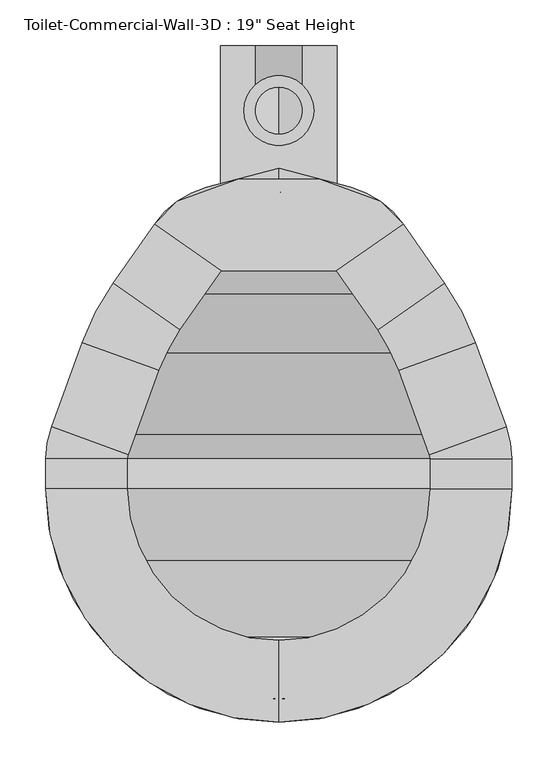
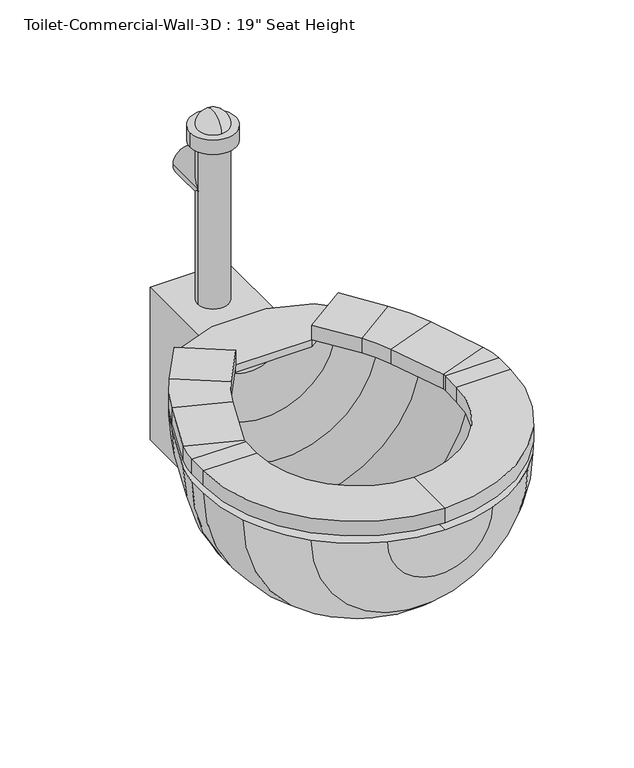
"""IFC4 building model written with IfcOpenShell, lengths in millimetres: flow terminal geometry."""

from ifc_helpers import new_model, si_unit, point, frame, frame_2d, origin, place, context, project, spatial, polyline, circle_curve, ellipse_curve, trimmed, segment, composite_curve, outline, extrude, source, transform, mapped, element, save
from ifc_brep_helpers import plane_surface, cylinder_surface, revolved_surface, advanced_brep


def flow_terminal_8f6cac15(model_context):
    return source(origin(), model_context, "Body", "SolidModel", [
        extrude(outline(polyline([(467.7541169, -306.9472495), (342.0521907, -306.9472495), (269.229574, -255.9563043), (294.1800557, -231.0058226), (360.2423986, -206.9610961), (449.563909, -206.9610961), (515.6262519, -231.0058226), (540.5767337, -255.9563043), (467.7541169, -306.9472495)])), frame((0.0, 0.0, 444.5), z_axis=(0.0, 0.0, 1.0), x_axis=(1.0, 0.0, 0.0)), (0.0, 0.0, 1.0), 12.7),
        advanced_brep(
        [(467.7541169, -306.9472495, 457.2), (467.7541169, -306.9472495, 482.6), (540.5767337, -255.9563043, 482.6), (540.5767337, -255.9563043, 457.2), (585.6810159, -320.3718951, 457.2), (512.8583992, -371.3628403, 457.2), (585.6810159, -320.3718951, 482.6), (512.8583992, -371.3628403, 482.6), (619.360053, -385.0687234, 457.2), (535.821379, -415.4743141, 457.2), (619.360053, -385.0687234, 482.6), (535.821379, -415.4743141, 482.6), (652.7759241, -476.8780747, 457.2), (569.2372501, -507.2836654, 457.2), (652.7759241, -476.8780747, 482.6), (569.2372501, -507.2836654, 482.6), (658.9031538, -511.6273212, 457.2), (570.0031538, -511.6273212, 457.2), (658.9031538, -511.6273212, 482.6), (570.0031538, -511.6273212, 482.6), (658.9031538, -544.5125, 457.2), (570.0031538, -544.5125, 457.2), (658.9031538, -544.5125, 482.6), (570.0031538, -544.5125, 482.6), (404.9031538, -798.5125, 457.2), (404.9031538, -709.6125, 457.2), (404.9031538, -798.5125, 482.6), (404.9031538, -709.6125, 482.6), (150.9031538, -544.5125, 457.2), (239.8031538, -544.5125, 457.2), (150.9031538, -544.5125, 482.6), (239.8031538, -544.5125, 482.6), (150.9031538, -511.6273212, 457.2), (239.8031538, -511.6273212, 457.2), (150.9031538, -511.6273212, 482.6), (239.8031538, -511.6273212, 482.6), (157.0303835, -476.8780747, 457.2), (240.5690575, -507.2836654, 457.2), (157.0303835, -476.8780747, 482.6), (240.5690575, -507.2836654, 482.6), (190.4462546, -385.0687234, 457.2), (273.9849286, -415.4743141, 457.2), (190.4462546, -385.0687234, 482.6), (273.9849286, -415.4743141, 482.6), (224.1252917, -320.3718951, 457.2), (296.9479084, -371.3628403, 457.2), (224.1252917, -320.3718951, 482.6), (296.9479084, -371.3628403, 482.6), (342.0521907, -306.9472495, 457.2), (269.229574, -255.9563043, 457.2), (269.229574, -255.9563043, 482.6), (342.0521907, -306.9472495, 482.6)],
        [
            (0, 1),
            (1, 2),
            (2, 3),
            (3, 0),
            (3, 4),
            (4, 5),
            (5, 0),
            (2, 6),
            (6, 4),
            (1, 7),
            (7, 6),
            (5, 7),
            (8, 9),
            (9, 5, circle_curve(frame((356.8099347, -480.6291514, 457.2), z_axis=(0.0, 0.0, 1.0), x_axis=(0.81915204428899, 0.5735764363510486, 0.0)), 190.5)),
            (4, 8, circle_curve(frame((356.8099347, -480.6291514, 457.2), z_axis=(0.0, 0.0, -1.0), x_axis=(0.81915204428899, 0.5735764363510486, 0.0)), 279.4)),
            (10, 8),
            (6, 10, circle_curve(frame((356.8099347, -480.6291514, 482.6), z_axis=(0.0, 0.0, -1.0), x_axis=(0.81915204428899, 0.5735764363510486, 0.0)), 279.4)),
            (11, 10),
            (7, 11, circle_curve(frame((356.8099347, -480.6291514, 482.6), z_axis=(0.0, 0.0, -1.0), x_axis=(0.81915204428899, 0.5735764363510486, 0.0)), 190.5)),
            (9, 11),
            (8, 12),
            (12, 13),
            (13, 9),
            (10, 14),
            (14, 12),
            (11, 15),
            (15, 14),
            (13, 15),
            (16, 17),
            (17, 13, circle_curve(frame((557.3031538, -511.6273212, 457.2), z_axis=(0.0, 0.0, 1.0), x_axis=(0.939692620785906, 0.34202014332567526, 0.0)), 12.7)),
            (12, 16, circle_curve(frame((557.3031538, -511.6273212, 457.2), z_axis=(0.0, 0.0, -1.0), x_axis=(0.939692620785906, 0.34202014332567526, 0.0)), 101.6)),
            (18, 16),
            (14, 18, circle_curve(frame((557.3031538, -511.6273212, 482.6), z_axis=(0.0, 0.0, -1.0), x_axis=(0.939692620785906, 0.34202014332567526, 0.0)), 101.6)),
            (19, 18),
            (15, 19, circle_curve(frame((557.3031538, -511.6273212, 482.6), z_axis=(0.0, 0.0, -1.0), x_axis=(0.939692620785906, 0.34202014332567526, 0.0)), 12.7)),
            (17, 19),
            (16, 20),
            (20, 21),
            (21, 17),
            (18, 22),
            (22, 20),
            (19, 23),
            (23, 22),
            (21, 23),
            (24, 25),
            (25, 21, circle_curve(frame((404.9031538, -544.5125, 457.2), z_axis=(0.0, 0.0, 1.0), x_axis=(1.0, 0.0, 0.0)), 165.1)),
            (20, 24, circle_curve(frame((404.9031538, -544.5125, 457.2), z_axis=(0.0, 0.0, -1.0), x_axis=(1.0, 0.0, 0.0)), 254.0)),
            (26, 24),
            (22, 26, circle_curve(frame((404.9031538, -544.5125, 482.6), z_axis=(0.0, 0.0, -1.0), x_axis=(1.0, 0.0, 0.0)), 254.0)),
            (27, 26),
            (23, 27, circle_curve(frame((404.9031538, -544.5125, 482.6), z_axis=(0.0, 0.0, -1.0), x_axis=(1.0, 0.0, 0.0)), 165.1)),
            (25, 27),
            (28, 29),
            (29, 25, circle_curve(frame((404.9031538, -544.5125, 457.2), z_axis=(0.0, 0.0, 1.0), x_axis=(0.0, -1.0, 0.0)), 165.1)),
            (24, 28, circle_curve(frame((404.9031538, -544.5125, 457.2), z_axis=(0.0, 0.0, -1.0), x_axis=(0.0, -1.0, 0.0)), 254.0)),
            (30, 28),
            (26, 30, circle_curve(frame((404.9031538, -544.5125, 482.6), z_axis=(0.0, 0.0, -1.0), x_axis=(0.0, -1.0, 0.0)), 254.0)),
            (31, 30),
            (27, 31, circle_curve(frame((404.9031538, -544.5125, 482.6), z_axis=(0.0, 0.0, -1.0), x_axis=(0.0, -1.0, 0.0)), 165.1)),
            (29, 31),
            (28, 32),
            (32, 33),
            (33, 29),
            (30, 34),
            (34, 32),
            (31, 35),
            (35, 34),
            (33, 35),
            (36, 37),
            (37, 33, circle_curve(frame((252.5031538, -511.6273212, 457.2), z_axis=(0.0, 0.0, 1.0), x_axis=(-1.0, 0.0, 0.0)), 12.7)),
            (32, 36, circle_curve(frame((252.5031538, -511.6273212, 457.2), z_axis=(0.0, 0.0, -1.0), x_axis=(-1.0, 0.0, 0.0)), 101.6)),
            (38, 36),
            (34, 38, circle_curve(frame((252.5031538, -511.6273212, 482.6), z_axis=(0.0, 0.0, -1.0), x_axis=(-1.0, 0.0, 0.0)), 101.6)),
            (39, 38),
            (35, 39, circle_curve(frame((252.5031538, -511.6273212, 482.6), z_axis=(0.0, 0.0, -1.0), x_axis=(-1.0, 0.0, 0.0)), 12.7)),
            (37, 39),
            (36, 40),
            (40, 41),
            (41, 37),
            (38, 42),
            (42, 40),
            (39, 43),
            (43, 42),
            (41, 43),
            (44, 45),
            (45, 41, circle_curve(frame((452.9963729, -480.6291514, 457.2), z_axis=(0.0, 0.0, 1.0), x_axis=(-0.9396926207859088, 0.34202014332566766, 0.0)), 190.5)),
            (40, 44, circle_curve(frame((452.9963729, -480.6291514, 457.2), z_axis=(0.0, 0.0, -1.0), x_axis=(-0.9396926207859088, 0.34202014332566766, 0.0)), 279.4)),
            (46, 44),
            (42, 46, circle_curve(frame((452.9963729, -480.6291514, 482.6), z_axis=(0.0, 0.0, -1.0), x_axis=(-0.9396926207859088, 0.34202014332566766, 0.0)), 279.4)),
            (47, 46),
            (43, 47, circle_curve(frame((452.9963729, -480.6291514, 482.6), z_axis=(0.0, 0.0, -1.0), x_axis=(-0.9396926207859088, 0.34202014332566766, 0.0)), 190.5)),
            (45, 47),
            (48, 49),
            (49, 50),
            (50, 51),
            (51, 48),
            (44, 49),
            (48, 45),
            (46, 50),
            (47, 51),
        ],
        [
            plane_surface(frame((540.5767337, -255.9563043, 541.2203184), z_axis=(-0.5735764363510383, 0.8191520442889972, 0.0), x_axis=(0.8191520442889972, 0.5735764363510383, 0.0))),
            plane_surface(frame((467.7541169, -306.9472495, 457.2), z_axis=(0.0, 0.0, -1.0000000000000002), x_axis=(0.5735764363510386, -0.8191520442889971, 0.0))),
            plane_surface(frame((540.5767337, -255.9563043, 457.2), z_axis=(0.8191520442889972, 0.5735764363510384, 0.0), x_axis=(0.5735764363510384, -0.8191520442889972, 0.0))),
            plane_surface(frame((540.5767337, -255.9563043, 482.6), z_axis=(0.0, 0.0, 1.0), x_axis=(0.5735764363510376, -0.8191520442889978, 0.0))),
            plane_surface(frame((467.7541169, -306.9472495, 482.6), z_axis=(-0.8191520442889973, -0.5735764363510382, 0.0), x_axis=(0.5735764363510382, -0.8191520442889973, 0.0))),
            plane_surface(frame((356.8099347, -480.6291514, 457.2), z_axis=(0.0, 0.0, -1.0), x_axis=(0.81915204428899, 0.5735764363510486, 0.0))),
            cylinder_surface(frame((356.8099347, -480.6291514, 444.5), z_axis=(0.0, 0.0, 1.0), x_axis=(0.81915204428899, 0.5735764363510486, 0.0)), 279.4),
            plane_surface(frame((356.8099347, -480.6291514, 482.6), z_axis=(0.0, 0.0, 1.0), x_axis=(0.81915204428899, 0.5735764363510486, 0.0))),
            revolved_surface(polyline([(512.8583991370526, -371.3628402751252, 482.6), (512.8583991370526, -371.3628402751252, 457.2)]), (356.8099347, -480.6291514, 444.5), (0.0, 0.0, 1.0)),
            plane_surface(frame((535.821379, -415.4743141, 457.2), z_axis=(0.0, 0.0, -1.0000000000000002), x_axis=(0.34202014332566577, -0.9396926207859095, 0.0))),
            plane_surface(frame((619.360053, -385.0687234, 457.2), z_axis=(0.9396926207859093, 0.34202014332566616, 0.0), x_axis=(0.34202014332566616, -0.9396926207859093, 0.0))),
            plane_surface(frame((619.360053, -385.0687234, 482.6), z_axis=(0.0, 0.0, 1.0), x_axis=(0.3420201433256647, -0.9396926207859099, 0.0))),
            plane_surface(frame((535.821379, -415.4743141, 482.6), z_axis=(-0.9396926207859093, -0.34202014332566644, 0.0), x_axis=(0.34202014332566644, -0.9396926207859093, 0.0))),
            plane_surface(frame((557.3031538, -511.6273212, 457.2), z_axis=(0.0, 0.0, -1.0), x_axis=(0.939692620785906, 0.34202014332567526, 0.0))),
            cylinder_surface(frame((557.3031538, -511.6273212, 444.5), z_axis=(0.0, 0.0, 1.0), x_axis=(0.939692620785906, 0.34202014332567526, 0.0)), 101.6),
            plane_surface(frame((557.3031538, -511.6273212, 482.6), z_axis=(0.0, 0.0, 1.0), x_axis=(0.939692620785906, 0.34202014332567526, 0.0))),
            revolved_surface(polyline([(569.237250083981, -507.28366537976393, 482.6), (569.237250083981, -507.28366537976393, 457.2)]), (557.3031538, -511.6273212, 444.5), (0.0, 0.0, 1.0)),
            plane_surface(frame((570.0031538, -511.6273212, 457.2), z_axis=(0.0, 0.0, -1.0), x_axis=(0.0, -1.0, 0.0))),
            plane_surface(frame((658.9031538, -511.6273212, 457.2), z_axis=(1.0, 0.0, 0.0), x_axis=(0.0, -1.0, 0.0))),
            plane_surface(frame((658.9031538, -511.6273212, 482.6), z_axis=(0.0, 0.0, 1.0), x_axis=(0.0, -1.0, 0.0))),
            plane_surface(frame((570.0031538, -511.6273212, 482.6), z_axis=(-1.0, 0.0, 0.0), x_axis=(0.0, -1.0, 0.0))),
            plane_surface(frame((404.9031538, -544.5125, 457.2), z_axis=(0.0, 0.0, -1.0), x_axis=(1.0, 0.0, 0.0))),
            cylinder_surface(frame((404.9031538, -544.5125, 444.5), z_axis=(0.0, 0.0, 1.0), x_axis=(1.0, 0.0, 0.0)), 254.0),
            plane_surface(frame((404.9031538, -544.5125, 482.6), z_axis=(0.0, 0.0, 1.0), x_axis=(1.0, 0.0, 0.0))),
            revolved_surface(polyline([(570.0031538, -544.5125, 482.6), (570.0031538, -544.5125, 457.2)]), (404.9031538, -544.5125, 444.5), (0.0, 0.0, 1.0)),
            plane_surface(frame((404.9031538, -544.5125, 457.2), z_axis=(0.0, 0.0, -1.0), x_axis=(0.0, -1.0, 0.0))),
            cylinder_surface(frame((404.9031538, -544.5125, 444.5), z_axis=(0.0, 0.0, 1.0), x_axis=(0.0, -1.0, 0.0)), 254.0),
            plane_surface(frame((404.9031538, -544.5125, 482.6), z_axis=(0.0, 0.0, 1.0), x_axis=(0.0, -1.0, 0.0))),
            revolved_surface(polyline([(404.9031538, -709.6125000000001, 482.6), (404.9031538, -709.6125000000001, 457.2)]), (404.9031538, -544.5125, 444.5), (0.0, 0.0, 1.0)),
            plane_surface(frame((239.8031538, -544.5125, 457.2), z_axis=(0.0, 0.0, -1.0), x_axis=(0.0, 1.0, 0.0))),
            plane_surface(frame((150.9031538, -544.5125, 457.2), z_axis=(-1.0, 0.0, 0.0), x_axis=(0.0, 1.0, 0.0))),
            plane_surface(frame((150.9031538, -544.5125, 482.6), z_axis=(0.0, 0.0, 1.0), x_axis=(0.0, 1.0, 0.0))),
            plane_surface(frame((239.8031538, -544.5125, 482.6), z_axis=(1.0, 0.0, 0.0), x_axis=(0.0, 1.0, 0.0))),
            plane_surface(frame((252.5031538, -511.6273212, 457.2), z_axis=(0.0, 0.0, -1.0), x_axis=(-1.0, 0.0, 0.0))),
            cylinder_surface(frame((252.5031538, -511.6273212, 444.5), z_axis=(0.0, 0.0, 1.0), x_axis=(-1.0, 0.0, 0.0)), 101.6),
            plane_surface(frame((252.5031538, -511.6273212, 482.6), z_axis=(0.0, 0.0, 1.0), x_axis=(-1.0, 0.0, 0.0))),
            revolved_surface(polyline([(239.80315380000002, -511.6273212, 482.6), (239.80315380000002, -511.6273212, 457.2)]), (252.5031538, -511.6273212, 444.5), (0.0, 0.0, 1.0)),
            plane_surface(frame((240.5690575, -507.2836654, 457.2), z_axis=(0.0, 0.0, -1.0000000000000002), x_axis=(0.34202014332565606, 0.9396926207859131, 0.0))),
            plane_surface(frame((157.0303835, -476.8780747, 457.2), z_axis=(-0.9396926207859128, 0.34202014332565694, 0.0), x_axis=(0.34202014332565694, 0.9396926207859128, 0.0))),
            plane_surface(frame((157.0303835, -476.8780747, 482.6), z_axis=(0.0, 0.0, 1.0000000000000002), x_axis=(0.34202014332565656, 0.9396926207859129, 0.0))),
            plane_surface(frame((240.5690575, -507.2836654, 482.6), z_axis=(0.9396926207859131, -0.34202014332565606, 0.0), x_axis=(0.34202014332565606, 0.9396926207859131, 0.0))),
            plane_surface(frame((452.9963729, -480.6291514, 457.2), z_axis=(0.0, 0.0, -1.0), x_axis=(-0.9396926207859088, 0.34202014332566766, 0.0))),
            cylinder_surface(frame((452.9963729, -480.6291514, 444.5), z_axis=(0.0, 0.0, 1.0), x_axis=(-0.9396926207859088, 0.34202014332566766, 0.0)), 279.4),
            plane_surface(frame((452.9963729, -480.6291514, 482.6), z_axis=(0.0, 0.0, 1.0), x_axis=(-0.9396926207859088, 0.34202014332566766, 0.0))),
            revolved_surface(polyline([(273.98492864028435, -415.4743140964603, 482.6), (273.98492864028435, -415.4743140964603, 457.2)]), (452.9963729, -480.6291514, 444.5), (0.0, 0.0, 1.0)),
            plane_surface(frame((269.229574, -255.9563043, 347.7796816), z_axis=(0.5735764363510499, 0.8191520442889891, 0.0), x_axis=(0.8191520442889891, -0.5735764363510499, 0.0))),
            plane_surface(frame((296.9479084, -371.3628403, 457.2), z_axis=(0.0, 0.0, -1.0), x_axis=(0.5735764363510497, 0.8191520442889894, 0.0))),
            plane_surface(frame((224.1252917, -320.3718951, 457.2), z_axis=(-0.819152044288989, 0.5735764363510502, 0.0), x_axis=(0.5735764363510502, 0.819152044288989, 0.0))),
            plane_surface(frame((224.1252917, -320.3718951, 482.6), z_axis=(0.0, 0.0, 1.0000000000000002), x_axis=(0.5735764363510502, 0.819152044288989, 0.0))),
            plane_surface(frame((296.9479084, -371.3628403, 482.6), z_axis=(0.8191520442889894, -0.5735764363510497, 0.0), x_axis=(0.5735764363510497, 0.8191520442889894, 0.0))),
        ],
        [
            (0, [[1, 2, 3, 4]]),
            (1, [[5, 6, 7, -4]]),
            (2, [[8, 9, -5, -3]]),
            (3, [[10, 11, -8, -2]]),
            (4, [[-7, 12, -10, -1]]),
            (5, [[13, 14, -6, 15]]),
            (6, [[16, -15, -9, 17]]),
            (7, [[18, -17, -11, 19]]),
            (8, [[20, -19, -12, -14]]),
            (9, [[21, 22, 23, -13]]),
            (10, [[24, 25, -21, -16]]),
            (11, [[26, 27, -24, -18]]),
            (12, [[-23, 28, -26, -20]]),
            (13, [[29, 30, -22, 31]]),
            (14, [[32, -31, -25, 33]]),
            (15, [[34, -33, -27, 35]]),
            (16, [[36, -35, -28, -30]]),
            (17, [[37, 38, 39, -29]]),
            (18, [[40, 41, -37, -32]]),
            (19, [[42, 43, -40, -34]]),
            (20, [[-39, 44, -42, -36]]),
            (21, [[45, 46, -38, 47]]),
            (22, [[48, -47, -41, 49]]),
            (23, [[50, -49, -43, 51]]),
            (24, [[52, -51, -44, -46]]),
            (25, [[53, 54, -45, 55]]),
            (26, [[56, -55, -48, 57]]),
            (27, [[58, -57, -50, 59]]),
            (28, [[60, -59, -52, -54]]),
            (29, [[61, 62, 63, -53]]),
            (30, [[64, 65, -61, -56]]),
            (31, [[66, 67, -64, -58]]),
            (32, [[-63, 68, -66, -60]]),
            (33, [[69, 70, -62, 71]]),
            (34, [[72, -71, -65, 73]]),
            (35, [[74, -73, -67, 75]]),
            (36, [[76, -75, -68, -70]]),
            (37, [[77, 78, 79, -69]]),
            (38, [[80, 81, -77, -72]]),
            (39, [[82, 83, -80, -74]]),
            (40, [[-79, 84, -82, -76]]),
            (41, [[85, 86, -78, 87]]),
            (42, [[88, -87, -81, 89]]),
            (43, [[90, -89, -83, 91]]),
            (44, [[92, -91, -84, -86]]),
            (45, [[93, 94, 95, 96]]),
            (46, [[97, -93, 98, -85]]),
            (47, [[99, -94, -97, -88]]),
            (48, [[100, -95, -99, -90]]),
            (49, [[-98, -96, -100, -92]]),
        ],
    ),
        advanced_brep(
        [(491.7762702, -783.1944257, 444.5), (584.5082762, -724.1176224, 444.5), (643.5850795, -631.3856164, 444.5), (658.9031538, -544.5125, 444.5), (658.9031538, -511.6273212, 444.5), (652.7759241, -476.8780747, 444.5), (619.360053, -385.0687234, 444.5), (585.6810159, -320.3718951, 444.5), (540.5767337, -255.9563043, 444.5), (483.6469009, -216.0936063, 444.5), (404.9031538, -194.9942829, 444.5), (404.9031538, -221.2902978, 444.5), (468.1430637, -238.2353806, 444.5), (525.0728964, -278.0980786, 444.5), (562.9565296, -332.2015139, 444.5), (596.6355667, -396.8983422, 444.5), (628.9077315, -485.5653863, 444.5), (633.5031538, -511.6273212, 444.5), (633.5031538, -544.5125, 444.5), (619.7168869, -622.6983048, 444.5), (566.547764, -706.1571102, 444.5), (483.0889586, -759.3262331, 444.5), (404.9031538, -773.1125, 444.5), (404.9031538, -798.5125, 444.5), (318.0300374, -783.1944257, 444.5), (326.7173491, -759.3262331, 444.5), (243.2585436, -706.1571102, 444.5), (190.0894207, -622.6983048, 444.5), (176.3031538, -544.5125, 444.5), (176.3031538, -511.6273212, 444.5), (180.8985761, -485.5653863, 444.5), (213.1707409, -396.8983422, 444.5), (246.849778, -332.2015139, 444.5), (284.7334112, -278.0980786, 444.5), (341.663244, -238.2353806, 444.5), (326.1594067, -216.0936063, 444.5), (269.229574, -255.9563043, 444.5), (224.1252917, -320.3718951, 444.5), (190.4462546, -385.0687234, 444.5), (157.0303835, -476.8780747, 444.5), (150.9031538, -511.6273212, 444.5), (150.9031538, -544.5125, 444.5), (166.2212281, -631.3856164, 444.5), (225.2980314, -724.1176224, 444.5)],
        [
            (0, 1, circle_curve(frame((404.9031538, -544.5125, 444.5), z_axis=(0.0, 0.0, 1.0), x_axis=(1.0, 0.0, 0.0)), 254.0)),
            (1, 2, circle_curve(frame((404.9031538, -544.5125, 444.5), z_axis=(0.0, 0.0, 1.0), x_axis=(1.0, 0.0, 0.0)), 254.0)),
            (2, 3, circle_curve(frame((404.9031538, -544.5125, 444.5), z_axis=(0.0, 0.0, 1.0), x_axis=(1.0, 0.0, 0.0)), 254.0)),
            (3, 4),
            (4, 5, circle_curve(frame((557.3031538, -511.6273212, 444.5), z_axis=(0.0, 0.0, 1.0), x_axis=(1.0, 0.0, 0.0)), 101.6)),
            (5, 6),
            (6, 7, circle_curve(frame((356.8099347, -480.6291514, 444.5), z_axis=(0.0, 0.0, 1.0), x_axis=(1.0, 0.0, 0.0)), 279.4)),
            (7, 8),
            (8, 9, circle_curve(frame((457.350886, -314.2316703, 444.5), z_axis=(0.0, 0.0, 1.0), x_axis=(1.0, 0.0, 0.0)), 101.6)),
            (9, 10),
            (10, 11),
            (11, 12),
            (12, 13, circle_curve(frame((441.8470487, -336.3734446, 444.5), z_axis=(0.0, 0.0, -1.0), x_axis=(1.0, 0.0, 0.0)), 101.6)),
            (13, 14),
            (14, 15, circle_curve(frame((334.0854485, -492.4587703, 444.5), z_axis=(0.0, 0.0, -1.0), x_axis=(1.0, 0.0, 0.0)), 279.4)),
            (15, 16),
            (16, 17, circle_curve(frame((557.3031538, -511.6273212, 444.5), z_axis=(0.0, 0.0, -1.0), x_axis=(1.0, 0.0, 0.0)), 76.2)),
            (17, 18),
            (18, 19, circle_curve(frame((404.9031538, -544.5125, 444.5), z_axis=(0.0, 0.0, -1.0), x_axis=(1.0, 0.0, 0.0)), 228.6)),
            (19, 20, circle_curve(frame((404.9031538, -544.5125, 444.5), z_axis=(0.0, 0.0, -1.0), x_axis=(1.0, 0.0, 0.0)), 228.6)),
            (20, 21, circle_curve(frame((404.9031538, -544.5125, 444.5), z_axis=(0.0, 0.0, -1.0), x_axis=(1.0, 0.0, 0.0)), 228.6)),
            (21, 22, circle_curve(frame((404.9031538, -544.5125, 444.5), z_axis=(0.0, 0.0, -1.0), x_axis=(1.0, 0.0, 0.0)), 228.6)),
            (22, 23),
            (23, 0, circle_curve(frame((404.9031538, -544.5125, 444.5), z_axis=(0.0, 0.0, 1.0), x_axis=(1.0, 0.0, 0.0)), 254.0)),
            (24, 23, circle_curve(frame((404.9031538, -544.5125, 444.5), z_axis=(0.0, 0.0, 1.0), x_axis=(-1.0, 0.0, 0.0)), 254.0)),
            (22, 25, circle_curve(frame((404.9031538, -544.5125, 444.5), z_axis=(0.0, 0.0, -1.0), x_axis=(-1.0, 0.0, 0.0)), 228.6)),
            (25, 26, circle_curve(frame((404.9031538, -544.5125, 444.5), z_axis=(0.0, 0.0, -1.0), x_axis=(-1.0, 0.0, 0.0)), 228.6)),
            (26, 27, circle_curve(frame((404.9031538, -544.5125, 444.5), z_axis=(0.0, 0.0, -1.0), x_axis=(-1.0, 0.0, 0.0)), 228.6)),
            (27, 28, circle_curve(frame((404.9031538, -544.5125, 444.5), z_axis=(0.0, 0.0, -1.0), x_axis=(-1.0, 0.0, 0.0)), 228.6)),
            (28, 29),
            (29, 30, circle_curve(frame((252.5031538, -511.6273212, 444.5), z_axis=(0.0, 0.0, -1.0), x_axis=(-1.0, 0.0, 0.0)), 76.2)),
            (30, 31),
            (31, 32, circle_curve(frame((475.7208592, -492.4587703, 444.5), z_axis=(0.0, 0.0, -1.0), x_axis=(-1.0, 0.0, 0.0)), 279.4)),
            (32, 33),
            (33, 34, circle_curve(frame((367.9592589, -336.3734446, 444.5), z_axis=(0.0, 0.0, -1.0), x_axis=(-1.0, 0.0, 0.0)), 101.6)),
            (34, 11),
            (10, 35),
            (35, 36, circle_curve(frame((352.4554217, -314.2316703, 444.5), z_axis=(0.0, 0.0, 1.0), x_axis=(-1.0, 0.0, 0.0)), 101.6)),
            (36, 37),
            (37, 38, circle_curve(frame((452.9963729, -480.6291514, 444.5), z_axis=(0.0, 0.0, 1.0), x_axis=(-1.0, 0.0, 0.0)), 279.4)),
            (38, 39),
            (39, 40, circle_curve(frame((252.5031538, -511.6273212, 444.5), z_axis=(0.0, 0.0, 1.0), x_axis=(-1.0, 0.0, 0.0)), 101.6)),
            (40, 41),
            (41, 42, circle_curve(frame((404.9031538, -544.5125, 444.5), z_axis=(0.0, 0.0, 1.0), x_axis=(-1.0, 0.0, 0.0)), 254.0)),
            (42, 43, circle_curve(frame((404.9031538, -544.5125, 444.5), z_axis=(0.0, 0.0, 1.0), x_axis=(-1.0, 0.0, 0.0)), 254.0)),
            (43, 24, circle_curve(frame((404.9031538, -544.5125, 444.5), z_axis=(0.0, 0.0, 1.0), x_axis=(-1.0, 0.0, 0.0)), 254.0)),
            (24, 0, circle_curve(frame((404.9031538, -783.1944257, 444.5), z_axis=(0.0, -1.0, 0.0), x_axis=(1.0, 0.0, 0.0)), 86.8731164)),
            (21, 25, circle_curve(frame((404.9031538, -759.3262331, 444.5), z_axis=(0.0, 1.0, 0.0), x_axis=(1.0, 0.0, 0.0)), 78.1858048)),
            (20, 26, circle_curve(frame((404.9031538, -706.1571102, 444.5), z_axis=(0.0, 1.0, 0.0), x_axis=(1.0, 0.0, 0.0)), 161.6446102)),
            (19, 27, circle_curve(frame((404.9031538, -622.6983048, 444.5), z_axis=(0.0, 1.0, 0.0), x_axis=(1.0, 0.0, 0.0)), 214.8137331)),
            (18, 28, circle_curve(frame((404.9031538, -544.5125, 444.5), z_axis=(0.0, 1.0, 0.0), x_axis=(1.0, 0.0, 0.0)), 228.6)),
            (17, 29, circle_curve(frame((404.9031538, -511.6273212, 444.5), z_axis=(0.0, 1.0, 0.0), x_axis=(1.0, 0.0, 0.0)), 228.6)),
            (16, 30, circle_curve(frame((404.9031538, -485.5653863, 444.5), z_axis=(0.0, 1.0, 0.0), x_axis=(1.0, 0.0, 0.0)), 224.0045777)),
            (15, 31, circle_curve(frame((404.9031538, -396.8983422, 444.5), z_axis=(0.0, 1.0, 0.0), x_axis=(1.0, 0.0, 0.0)), 191.7324129)),
            (14, 32, circle_curve(frame((404.9031538, -332.2015139, 444.5), z_axis=(0.0, 1.0, 0.0), x_axis=(1.0, 0.0, 0.0)), 158.0533758)),
            (13, 33, circle_curve(frame((404.9031538, -278.0980786, 444.5), z_axis=(0.0, 1.0, 0.0), x_axis=(1.0, 0.0, 0.0)), 120.1697426)),
            (12, 34, circle_curve(frame((404.9031538, -238.2353806, 444.5), z_axis=(0.0, 1.0, 0.0), x_axis=(1.0, 0.0, 0.0)), 63.2399099)),
            (9, 35, circle_curve(frame((404.9031538, -216.0936063, 444.5), z_axis=(0.0, 1.0, 0.0), x_axis=(1.0, 0.0, 0.0)), 78.7437471)),
            (8, 36, circle_curve(frame((404.9031538, -255.9563043, 444.5), z_axis=(0.0, 1.0, 0.0), x_axis=(1.0, 0.0, 0.0)), 135.6735798)),
            (7, 37, circle_curve(frame((404.9031538, -320.3718951, 444.5), z_axis=(0.0, 1.0, 0.0), x_axis=(1.0, 0.0, 0.0)), 180.7778621)),
            (6, 38, circle_curve(frame((404.9031538, -385.0687234, 444.5), z_axis=(0.0, 1.0, 0.0), x_axis=(1.0, 0.0, 0.0)), 214.4568992)),
            (5, 39, circle_curve(frame((404.9031538, -476.8780747, 444.5), z_axis=(0.0, 1.0, 0.0), x_axis=(1.0, 0.0, 0.0)), 247.8727703)),
            (4, 40, circle_curve(frame((404.9031538, -511.6273212, 444.5), z_axis=(0.0, 1.0, 0.0), x_axis=(1.0, 0.0, 0.0)), 254.0)),
            (3, 41, circle_curve(frame((404.9031538, -544.5125, 444.5), z_axis=(0.0, 1.0, 0.0), x_axis=(1.0, 0.0, 0.0)), 254.0)),
            (2, 42, circle_curve(frame((404.9031538, -631.3856164, 444.5), z_axis=(0.0, 1.0, 0.0), x_axis=(1.0, 0.0, 0.0)), 238.6819257)),
            (1, 43, circle_curve(frame((404.9031538, -724.1176224, 444.5), z_axis=(0.0, 1.0, 0.0), x_axis=(1.0, 0.0, 0.0)), 179.6051224)),
        ],
        [
            plane_surface(frame((404.9031538, -903.7227448, 444.5), z_axis=(0.0, 0.0, 1.0), x_axis=(1.0, 0.0, 0.0))),
            plane_surface(frame((404.9031538, -903.7227448, 444.5), z_axis=(0.0, 0.0, 1.0), x_axis=(-1.0, 0.0, 0.0))),
            revolved_surface(trimmed(ellipse_curve(frame((404.9031538, -544.5125, 444.5), z_axis=(0.0, 0.0, -1.0), x_axis=(1.0, 0.0, 0.0)), 254.0, 254.0), [point((491.7762702, -783.1944257, 444.5))], [point((404.9031538, -798.5125, 444.5))], True, "CARTESIAN"), (404.9031538, -903.7227448, 444.5), (0.0, -1.0, 0.0)),
            revolved_surface(trimmed(ellipse_curve(frame((404.9031538, -544.5125, 444.5), z_axis=(0.0, 0.0, 1.0), x_axis=(1.0, 0.0, 0.0)), 228.6, 228.6), [point((404.9031538, -773.1125, 444.5))], [point((483.0889586, -759.3262331, 444.5))], True, "CARTESIAN"), (404.9031538, -903.7227448, 444.5), (0.0, -1.0, 0.0)),
            revolved_surface(trimmed(ellipse_curve(frame((404.9031538, -544.5125, 444.5), z_axis=(0.0, 0.0, 1.0), x_axis=(1.0, 0.0, 0.0)), 228.6, 228.6), [point((483.0889586, -759.3262331, 444.5))], [point((566.547764, -706.1571102, 444.5))], True, "CARTESIAN"), (404.9031538, -903.7227448, 444.5), (0.0, -1.0, 0.0)),
            revolved_surface(trimmed(ellipse_curve(frame((404.9031538, -544.5125, 444.5), z_axis=(0.0, 0.0, 1.0), x_axis=(1.0, 0.0, 0.0)), 228.6, 228.6), [point((566.547764, -706.1571102, 444.5))], [point((619.7168869, -622.6983048, 444.5))], True, "CARTESIAN"), (404.9031538, -903.7227448, 444.5), (0.0, -1.0, 0.0)),
            revolved_surface(trimmed(ellipse_curve(frame((404.9031538, -544.5125, 444.5), z_axis=(0.0, 0.0, 1.0), x_axis=(1.0, 0.0, 0.0)), 228.6, 228.6), [point((619.7168869, -622.6983048, 444.5))], [point((633.5031538, -544.5125, 444.5))], True, "CARTESIAN"), (404.9031538, -903.7227448, 444.5), (0.0, -1.0, 0.0)),
            revolved_surface(polyline([(633.5031538, -544.5125, 444.5), (633.5031538, -511.6273212, 444.5)]), (404.9031538, -903.7227448, 444.5), (0.0, -1.0, 0.0)),
            revolved_surface(trimmed(ellipse_curve(frame((557.3031538, -511.6273212, 444.5), z_axis=(0.0, 0.0, 1.0), x_axis=(1.0, 0.0, 0.0)), 76.2, 76.2), [point((633.5031538, -511.6273212, 444.5))], [point((628.9077315, -485.5653863, 444.5))], True, "CARTESIAN"), (404.9031538, -903.7227448, 444.5), (0.0, -1.0, 0.0)),
            revolved_surface(polyline([(628.9077315, -485.5653863, 444.5), (596.6355667, -396.8983422, 444.5)]), (404.9031538, -903.7227448, 444.5), (0.0, -1.0, 0.0)),
            revolved_surface(trimmed(ellipse_curve(frame((334.0854485, -492.4587703, 444.5), z_axis=(0.0, 0.0, 1.0), x_axis=(1.0, 0.0, 0.0)), 279.4, 279.4), [point((596.6355667, -396.8983422, 444.5))], [point((562.9565296, -332.2015139, 444.5))], True, "CARTESIAN"), (404.9031538, -903.7227448, 444.5), (0.0, -1.0, 0.0)),
            revolved_surface(polyline([(562.9565296, -332.2015139, 444.5), (525.0728964, -278.0980786, 444.5)]), (404.9031538, -903.7227448, 444.5), (0.0, -1.0, 0.0)),
            revolved_surface(trimmed(ellipse_curve(frame((441.8470487, -336.3734446, 444.5), z_axis=(0.0, 0.0, 1.0), x_axis=(1.0, 0.0, 0.0)), 101.6, 101.6), [point((525.0728964, -278.0980786, 444.5))], [point((468.1430637, -238.2353806, 444.5))], True, "CARTESIAN"), (404.9031538, -903.7227448, 444.5), (0.0, -1.0, 0.0)),
            revolved_surface(polyline([(468.1430637, -238.2353806, 444.5), (404.9031538, -221.2902978, 444.5)]), (404.9031538, -903.7227448, 444.5), (0.0, -1.0, 0.0)),
            revolved_surface(polyline([(404.9031538, -194.9942829, 444.5), (483.6469009, -216.0936063, 444.5)]), (404.9031538, -903.7227448, 444.5), (0.0, -1.0, 0.0)),
            revolved_surface(trimmed(ellipse_curve(frame((457.350886, -314.2316703, 444.5), z_axis=(0.0, 0.0, -1.0), x_axis=(1.0, 0.0, 0.0)), 101.6, 101.6), [point((483.6469009, -216.0936063, 444.5))], [point((540.5767337, -255.9563043, 444.5))], True, "CARTESIAN"), (404.9031538, -903.7227448, 444.5), (0.0, -1.0, 0.0)),
            revolved_surface(polyline([(540.5767337, -255.9563043, 444.5), (585.6810159, -320.3718951, 444.5)]), (404.9031538, -903.7227448, 444.5), (0.0, -1.0, 0.0)),
            revolved_surface(trimmed(ellipse_curve(frame((356.8099347, -480.6291514, 444.5), z_axis=(0.0, 0.0, -1.0), x_axis=(1.0, 0.0, 0.0)), 279.4, 279.4), [point((585.6810159, -320.3718951, 444.5))], [point((619.360053, -385.0687234, 444.5))], True, "CARTESIAN"), (404.9031538, -903.7227448, 444.5), (0.0, -1.0, 0.0)),
            revolved_surface(polyline([(619.360053, -385.0687234, 444.5), (652.7759241, -476.8780747, 444.5)]), (404.9031538, -903.7227448, 444.5), (0.0, -1.0, 0.0)),
            revolved_surface(trimmed(ellipse_curve(frame((557.3031538, -511.6273212, 444.5), z_axis=(0.0, 0.0, -1.0), x_axis=(1.0, 0.0, 0.0)), 101.6, 101.6), [point((652.7759241, -476.8780747, 444.5))], [point((658.9031538, -511.6273212, 444.5))], True, "CARTESIAN"), (404.9031538, -903.7227448, 444.5), (0.0, -1.0, 0.0)),
            cylinder_surface(frame((404.9031538, -903.7227448, 444.5), z_axis=(0.0, -1.0, 0.0), x_axis=(1.0, 0.0, 0.0)), 254.0),
            revolved_surface(trimmed(ellipse_curve(frame((404.9031538, -544.5125, 444.5), z_axis=(0.0, 0.0, -1.0), x_axis=(1.0, 0.0, 0.0)), 254.0, 254.0), [point((658.9031538, -544.5125, 444.5))], [point((643.5850795, -631.3856164, 444.5))], True, "CARTESIAN"), (404.9031538, -903.7227448, 444.5), (0.0, -1.0, 0.0)),
            revolved_surface(trimmed(ellipse_curve(frame((404.9031538, -544.5125, 444.5), z_axis=(0.0, 0.0, -1.0), x_axis=(1.0, 0.0, 0.0)), 254.0, 254.0), [point((643.5850795, -631.3856164, 444.5))], [point((584.5082762, -724.1176224, 444.5))], True, "CARTESIAN"), (404.9031538, -903.7227448, 444.5), (0.0, -1.0, 0.0)),
            revolved_surface(trimmed(ellipse_curve(frame((404.9031538, -544.5125, 444.5), z_axis=(0.0, 0.0, -1.0), x_axis=(1.0, 0.0, 0.0)), 254.0, 254.0), [point((584.5082762, -724.1176224, 444.5))], [point((491.7762702, -783.1944257, 444.5))], True, "CARTESIAN"), (404.9031538, -903.7227448, 444.5), (0.0, -1.0, 0.0)),
        ],
        [
            (0, [[1, 2, 3, 4, 5, 6, 7, 8, 9, 10, 11, 12, 13, 14, 15, 16, 17, 18, 19, 20, 21, 22, 23, 24]]),
            (1, [[25, -23, 26, 27, 28, 29, 30, 31, 32, 33, 34, 35, 36, -11, 37, 38, 39, 40, 41, 42, 43, 44, 45, 46]]),
            (2, [[-25, 47, -24]]),
            (3, [[-26, -22, 48]]),
            (4, [[-27, -48, -21, 49]]),
            (5, [[-28, -49, -20, 50]]),
            (6, [[-29, -50, -19, 51]]),
            (7, [[-30, -51, -18, 52]]),
            (8, [[-31, -52, -17, 53]]),
            (9, [[-32, -53, -16, 54]]),
            (10, [[-33, -54, -15, 55]]),
            (11, [[-34, -55, -14, 56]]),
            (12, [[-35, -56, -13, 57]]),
            (13, [[-36, -57, -12]]),
            (14, [[-37, -10, 58]]),
            (15, [[-38, -58, -9, 59]]),
            (16, [[-39, -59, -8, 60]]),
            (17, [[-40, -60, -7, 61]]),
            (18, [[-41, -61, -6, 62]]),
            (19, [[-42, -62, -5, 63]]),
            (20, [[-43, -63, -4, 64]]),
            (21, [[-44, -64, -3, 65]]),
            (22, [[-45, -65, -2, 66]]),
            (23, [[-46, -66, -1, -47]]),
        ],
    ),
        advanced_brep(
        [(404.9031538, -106.8301912, 749.3), (404.9031538, -132.4477737, 774.9175826), (404.9031538, -158.0653563, 749.3), (404.9031538, -132.4477737, 749.3)],
        [
            (0, 1, circle_curve(frame((404.9031538, -132.4477737, 749.3), z_axis=(1.0, 0.0, 0.0), x_axis=(0.0, -1.0, 0.0)), 25.6175826)),
            (1, 2, circle_curve(frame((404.9031538, -132.4477737, 749.3), z_axis=(1.0, 0.0, 0.0), x_axis=(0.0, 1.0, 0.0)), 25.6175826)),
            (2, 0, circle_curve(frame((404.9031538, -132.4477737, 749.3), z_axis=(0.0, 0.0, 1.0), x_axis=(0.0, -1.0, 0.0)), 25.6175826)),
            (0, 2, circle_curve(frame((404.9031538, -132.4477737, 749.3), z_axis=(0.0, 0.0, 1.0), x_axis=(0.0, -1.0, 0.0)), 25.6175826)),
            (3, 0),
            (2, 3),
        ],
        [
            revolved_surface(trimmed(ellipse_curve(frame((404.9031538, -132.4477737, 749.3), z_axis=(1.0, 0.0, 0.0), x_axis=(0.0, 1.0, 0.0)), 25.6175826, 25.6175826), [point((404.9031538, -132.4477737, 774.9175826))], [point((404.9031538, -158.0653563, 749.3))], True, "CARTESIAN"), (404.9031538, -132.4477737, 813.9277273), (0.0, 0.0, -1.0)),
            plane_surface(frame((404.9031538, -132.4477737, 749.3), z_axis=(0.0, 0.0, -1.0), x_axis=(0.0, -1.0, 0.0))),
        ],
        [
            (0, [[1, 2, 3]]),
            (0, [[-2, -1, 4]]),
            (1, [[5, -3, 6]]),
            (1, [[-6, -4, -5]]),
        ],
    ),
        extrude(outline(composite_curve([segment(trimmed(circle_curve(frame_2d((404.9031538, -132.4477737)), 38.1), [point((366.8031538, -132.4477737))], [point((443.0031538, -132.4477737))], False, "CARTESIAN"), True, "CONTINUOUS"), segment(trimmed(circle_curve(frame_2d((404.9031538, -132.4477737)), 38.1), [point((443.0031538, -132.4477737))], [point((366.8031538, -132.4477737))], False, "CARTESIAN"), True, "CONTINUOUS")], self_intersect=False)), frame((0.0, 0.0, 723.9), z_axis=(0.0, 0.0, 1.0), x_axis=(1.0, 0.0, 0.0)), (0.0, 0.0, 1.0), 25.4),
        extrude(outline(composite_curve([segment(trimmed(circle_curve(frame_2d((645.8113641, 404.9031538)), 25.4), [point((645.8113641, 379.5031538))], [point((645.8113641, 430.3031538))], False, "CARTESIAN"), True, "CONTINUOUS"), segment(trimmed(circle_curve(frame_2d((645.8113641, 404.9031538)), 25.4), [point((645.8113641, 430.3031538))], [point((645.8113641, 379.5031538))], False, "CARTESIAN"), True, "CONTINUOUS")], self_intersect=False)), frame((0.0, -132.55625, 0.0), z_axis=(0.0, 1.0, 0.0), x_axis=(0.0, 0.0, 1.0)), (0.0, 0.0, 1.0), 70.64375),
        extrude(outline(composite_curve([segment(trimmed(circle_curve(frame_2d((404.9031538, -132.4477737)), 25.4), [point((379.5031538, -132.4477737))], [point((430.3031538, -132.4477737))], False, "CARTESIAN"), True, "CONTINUOUS"), segment(trimmed(circle_curve(frame_2d((404.9031538, -132.4477737)), 25.4), [point((430.3031538, -132.4477737))], [point((379.5031538, -132.4477737))], False, "CARTESIAN"), True, "CONTINUOUS")], self_intersect=False)), frame((0.0, 0.0, 444.5), z_axis=(0.0, 0.0, 1.0), x_axis=(1.0, 0.0, 0.0)), (0.0, 0.0, 1.0), 279.4),
        extrude(outline(polyline([(-214.7162941, 444.5), (-61.9125, 444.5), (-61.9125, 177.8), (-281.9579017, 177.8), (-362.4551282, 235.6328588), (-258.4228185, 308.4770663), (-214.7162941, 370.896452), (-214.7162941, 444.5)])), frame((341.4031538, 0.0, 0.0), z_axis=(1.0, 0.0, 0.0), x_axis=(0.0, 1.0, 0.0)), (0.0, 0.0, 1.0), 127.0),
    ])


if __name__ == "__main__":
    model = new_model("IFC4")
    model_context = context("Model", 3, world=origin())
    ifc_project = project(units=[si_unit("LENGTHUNIT", "METRE", prefix="MILLI")], contexts=[model_context])
    site = spatial("IfcSite", under=ifc_project)
    building = spatial("IfcBuilding", under=site)
    placement = place(None, origin())
    flow_terminal_shape = flow_terminal_8f6cac15(model_context)
    element("IfcFlowTerminal", 1, ObjectType="Toilet-Commercial-Wall-3D : 19\" Seat Height", at=placement, inside=building, context=model_context, shape_type="MappedRepresentation", body=[
        mapped(flow_terminal_shape, transform((0.0, 0.0, 0.0), x_axis=(1.0, 0.0, 0.0), y_axis=(0.0, 1.0, 0.0), z_axis=(0.0, 0.0, 1.0))),
    ])
    save(model, "model.ifc")
